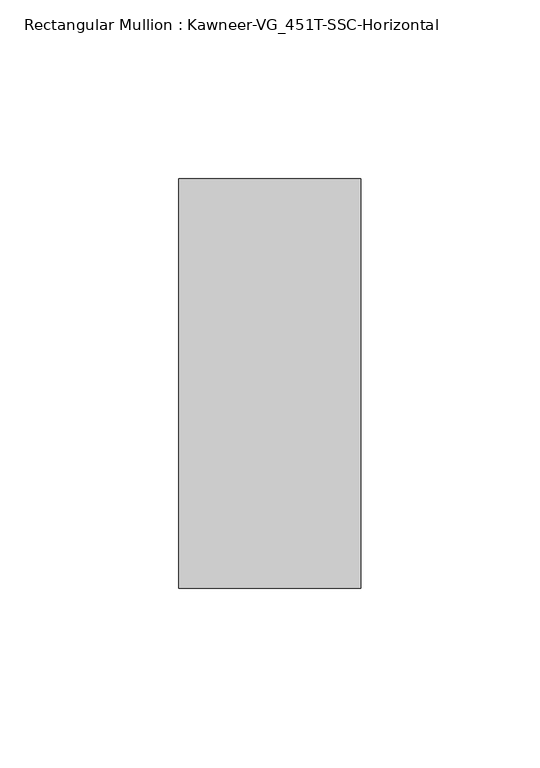
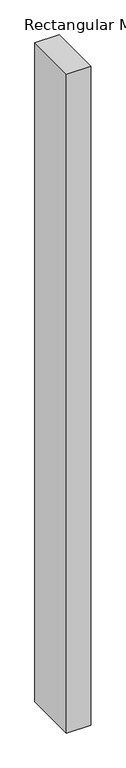
"""IFC4 building model written with IfcOpenShell, lengths in millimetres: member geometry, Rectangular Mullion : Kawneer-VG_451T-SSC-Horizontal."""

from ifc_helpers import new_model, si_unit, frame, origin, place, context, project, spatial, polyline, outline, extrude, source, transform, mapped, element, save


def rectangular_mullion_kawneer_vg_451t_ssc_horizontal_911dba1e(model_context):
    return source(origin(), model_context, "Body", "SweptSolid", [
        extrude(outline(polyline([(25.4, 57.15), (25.4, -57.15), (-25.4, -57.15), (-25.4, 57.15), (25.4, 57.15)])), frame((0.0, 0.0, -1458.9125), z_axis=(0.0, 0.0, 1.0), x_axis=(1.0, 0.0, 0.0)), (0.0, 0.0, 1.0), 1458.9125),
    ])


if __name__ == "__main__":
    model = new_model("IFC4")
    model_context = context("Model", 3, world=origin())
    ifc_project = project(units=[si_unit("LENGTHUNIT", "METRE", prefix="MILLI")], contexts=[model_context])
    site = spatial("IfcSite", under=ifc_project)
    building = spatial("IfcBuilding", under=site)
    placement = place(None, origin())
    rectangular_mullion_kawneer_vg_451t_ssc_horizontal_shape = rectangular_mullion_kawneer_vg_451t_ssc_horizontal_911dba1e(model_context)
    element("IfcMember", 1, ObjectType="Rectangular Mullion : Kawneer-VG_451T-SSC-Horizontal", at=placement, inside=building, context=model_context, shape_type="MappedRepresentation", body=[
        mapped(rectangular_mullion_kawneer_vg_451t_ssc_horizontal_shape, transform((0.0, 0.0, 0.0), x_axis=(1.0, 0.0, 0.0), y_axis=(0.0, 1.0, 0.0), z_axis=(0.0, 0.0, 1.0))),
    ])
    save(model, "model.ifc")
